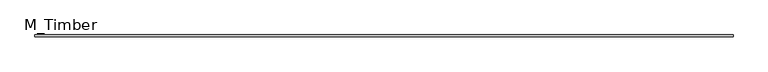
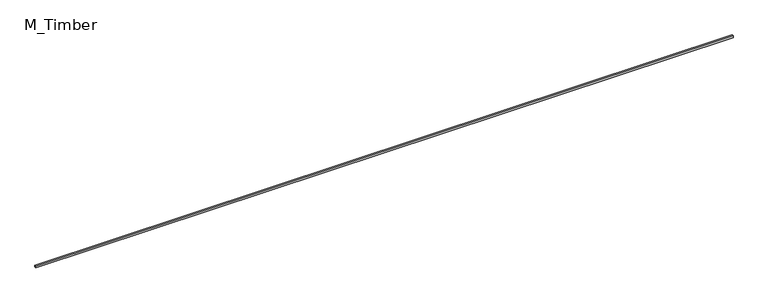
"""IFC4 building model written with IfcOpenShell, lengths in millimetres: beam geometry, M_Timber."""

from ifc_helpers import new_model, si_unit, frame, origin, place, context, project, spatial, polyline, outline, extrude, source, transform, mapped, element, save


def m_timber_351906ad(model_context):
    return source(origin(), model_context, "Body", "SweptSolid", [
        extrude(outline(polyline([(7972.8920822, 20.0), (7972.8920822, -20.0), (-7972.8920822, -20.0), (-7972.8920822, 20.0), (7972.8920822, 20.0)])), frame((0.0, 0.0, -20.0), z_axis=(0.0, 0.0, 1.0), x_axis=(1.0, 0.0, 0.0)), (0.0, 0.0, 1.0), 40.0),
    ])


if __name__ == "__main__":
    model = new_model("IFC4")
    model_context = context("Model", 3, world=origin())
    ifc_project = project(units=[si_unit("LENGTHUNIT", "METRE", prefix="MILLI")], contexts=[model_context])
    site = spatial("IfcSite", under=ifc_project)
    building = spatial("IfcBuilding", under=site)
    placement = place(None, origin())
    m_timber_shape = m_timber_351906ad(model_context)
    element("IfcBeam", 1, ObjectType="M_Timber", at=placement, inside=building, context=model_context, shape_type="MappedRepresentation", body=[
        mapped(m_timber_shape, transform((0.0, 0.0, 0.0), x_axis=(1.0, 0.0, 0.0), y_axis=(0.0, 1.0, 0.0), z_axis=(0.0, 0.0, 1.0))),
    ])
    save(model, "model.ifc")
